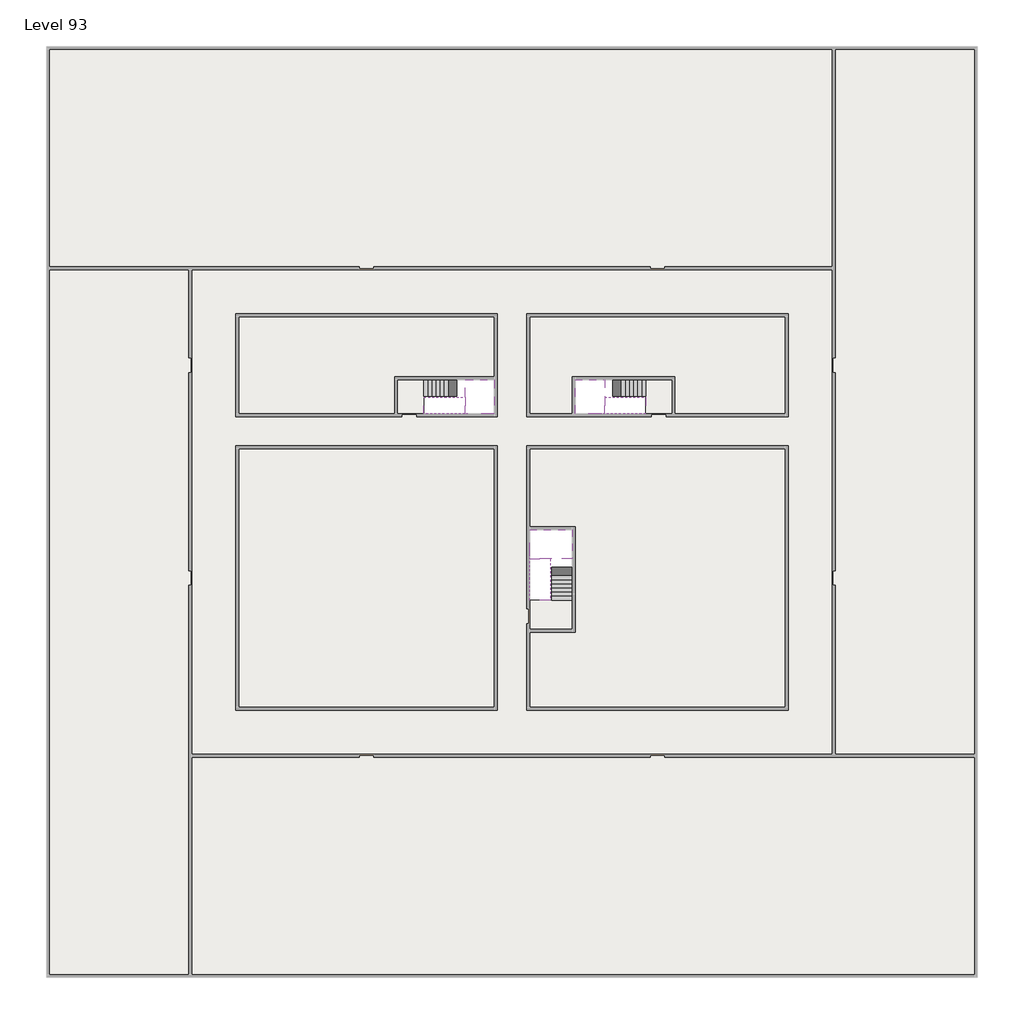
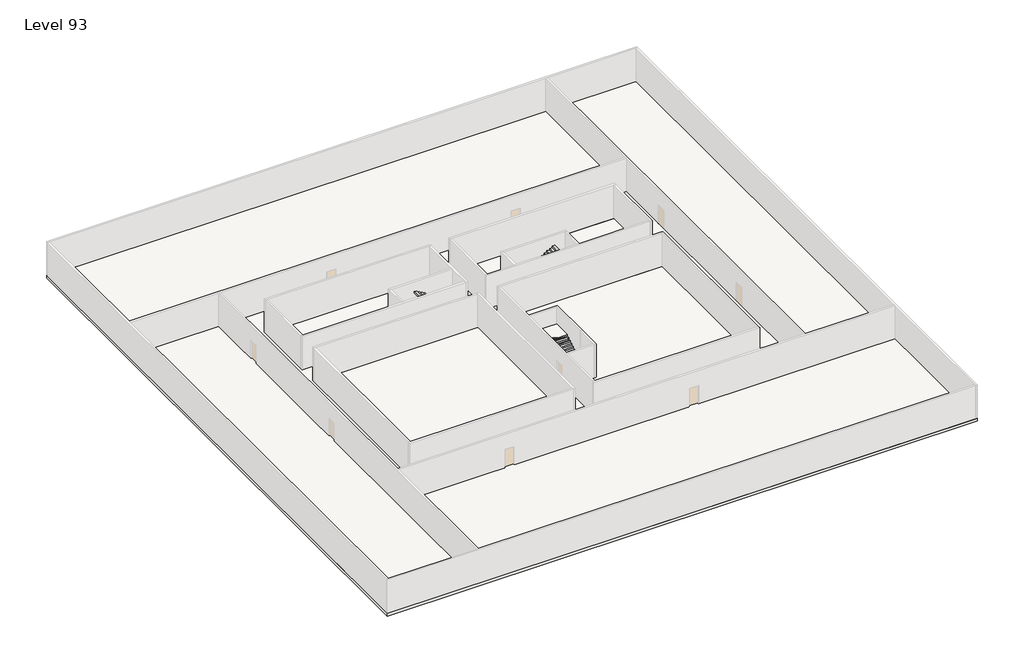
# One storey, part 2 of 2: 6 slabs, 6 stair flights.
"""IFC4 building model written with IfcOpenShell, lengths in millimetres."""

from ifc_helpers import new_model, si_unit, frame, origin, place, context, project, spatial, polyline, outline, extrude, faceted_brep, element, save

model = new_model("IFC4")

# Units and contexts
model_context = context("Model", 3, world=origin())
ifc_project = project(units=[si_unit("LENGTHUNIT", "METRE", prefix="MILLI")], contexts=[model_context])

# Site, building, storey
site = spatial("IfcSite", under=ifc_project)
building = spatial("IfcBuilding", under=site)
storey = spatial("IfcBuildingStorey", under=building, Name="Level 93", Elevation=349600.0)

# Slabs
placement = place(None, origin())
element("IfcSlab", 1, at=placement, inside=storey, context=model_context, shape_type="SweptSolid", body=[
    extrude(outline(polyline([(55890.1058784, -5518.09644), (55890.1058784, -68918.09644), (-7509.8941216, -68918.09644), (-7509.8941216, -5518.09644), (55890.1058784, -5518.09644)]), holes=[polyline([(22990.1058784, -23918.09644), (5590.1058784, -23918.09644), (5590.1058784, -30518.09644), (22990.1058784, -30518.09644), (22990.1058784, -23918.09644)]), polyline([(42990.1058784, -23918.09644), (25390.1058784, -23918.09644), (25390.1058784, -30518.09644), (42990.1058784, -30518.09644), (42990.1058784, -23918.09644)]), polyline([(25390.1058784, -50518.09644), (42790.1058784, -50518.09644), (42790.1058784, -32918.09644), (25390.1058784, -32918.09644), (25390.1058784, -50518.09644)]), polyline([(22990.1058784, -32918.09644), (5590.1058784, -32918.09644), (5590.1058784, -50518.09644), (22990.1058784, -50518.09644), (22990.1058784, -32918.09644)])]), frame((0.0, 0.0, 349300.0), z_axis=(0.0, 0.0, 1.0), x_axis=(1.0, 0.0, 0.0)), (0.0, 0.0, 1.0), 300.0),
])
element("IfcSlab", 2, at=placement, inside=storey, context=model_context, shape_type="SweptSolid", body=[
    extrude(outline(polyline([(22990.1058784, -23918.09644), (22990.1058784, -28018.09644), (16190.1058784, -28018.09644), (16190.1058784, -30518.09644), (5590.1058784, -30518.09644), (5590.1058784, -23918.09644), (22990.1058784, -23918.09644)])), frame((0.0, 0.0, 349300.0), z_axis=(0.0, 0.0, 1.0), x_axis=(1.0, 0.0, 0.0)), (0.0, 0.0, 1.0), 300.0),
    extrude(outline(polyline([(42790.1058784, -23918.09644), (42790.1058784, -30518.09644), (35290.1058784, -30518.09644), (35290.1058784, -28018.09644), (28490.1058784, -28018.09644), (28490.1058784, -30518.09644), (25390.1058784, -30518.09644), (25390.1058784, -23918.09644), (42790.1058784, -23918.09644)])), frame((0.0, 0.0, 349300.0), z_axis=(0.0, 0.0, 1.0), x_axis=(1.0, 0.0, 0.0)), (0.0, 0.0, 1.0), 300.0),
    extrude(outline(polyline([(22990.1058784, -32918.09644), (22990.1058784, -50518.09644), (5590.1058784, -50518.09644), (5590.1058784, -32918.09644), (22990.1058784, -32918.09644)])), frame((0.0, 0.0, 349300.0), z_axis=(0.0, 0.0, 1.0), x_axis=(1.0, 0.0, 0.0)), (0.0, 0.0, 1.0), 300.0),
    extrude(outline(polyline([(25390.1058784, -38218.09644), (25390.1058784, -32918.09644), (42790.1058784, -32918.09644), (42790.1058784, -50518.09644), (25390.1058784, -50518.09644), (25390.1058784, -45418.09644), (28490.1058784, -45418.09644), (28490.1058784, -38218.09644), (25390.1058784, -38218.09644)])), frame((0.0, 0.0, 349300.0), z_axis=(0.0, 0.0, 1.0), x_axis=(1.0, 0.0, 0.0)), (0.0, 0.0, 1.0), 300.0),
])
element("IfcSlab", 3, at=placement, inside=storey, context=model_context, shape_type="Brep", body=[
    faceted_brep([(26890.1058784, -40418.09644, 351500.0), (28290.1058784, -40418.09644, 351500.0), (28290.1058784, -40338.7100038, 351500.0), (28290.1058784, -38418.09644, 351500.0), (25390.1058784, -38418.09644, 351500.0), (25390.1058784, -40217.4828763, 351500.0), (25390.1058784, -40418.09644, 351500.0), (26790.1058784, -40418.09644, 351500.0), (26890.1058784, -40418.09644, 351200.0), (26890.1058784, -40418.09644, 351151.0278478), (28290.1058784, -40418.09644, 351151.0278478), (28290.1058784, -40418.09644, 351327.2727273), (28290.1058784, -40338.7100038, 351200.0), (28290.1058784, -38418.09644, 351200.0), (25390.1058784, -38418.09644, 351200.0), (25390.1058784, -40217.4828763, 351200.0), (25390.1058784, -40418.09644, 351323.7551205), (26790.1058784, -40418.09644, 351323.7551205), (26790.1058784, -40418.09644, 351200.0), (26790.1058784, -40217.4828763, 351200.0), (26890.1058784, -40338.7100038, 351200.0)], [[[0, 1, 2, 3, 4, 5, 6, 7]], [[1, 0, 8, 9, 10, 11]], [[1, 11, 10, 12, 13, 3, 2]], [[4, 3, 13, 14]], [[4, 14, 15, 16, 6, 5]], [[7, 6, 16, 17]], [[0, 7, 17, 18, 8]], [[18, 19, 15, 14, 13, 12, 20, 8]], [[19, 18, 17]], [[20, 12, 10, 9]], [[8, 20, 9]], [[15, 19, 17, 16]]]),
])
element("IfcSlab", 4, at=placement, inside=storey, context=model_context, shape_type="Brep", body=[
    faceted_brep([(20990.1058784, -28218.09644, 351500.0), (20990.1058784, -29318.09644, 351500.0), (20990.1058784, -29418.09644, 351500.0), (20990.1058784, -30518.09644, 351500.0), (21190.7194421, -30518.09644, 351500.0), (22990.1058784, -30518.09644, 351500.0), (22990.1058784, -28218.09644, 351500.0), (21069.4923146, -28218.09644, 351500.0), (20990.1058784, -28218.09644, 351327.2727273), (20990.1058784, -28218.09644, 351151.0278478), (20990.1058784, -29318.09644, 351151.0278478), (20990.1058784, -29318.09644, 351200.0), (20990.1058784, -29418.09644, 351200.0), (20990.1058784, -29418.09644, 351323.7551205), (20990.1058784, -30518.09644, 351323.7551205), (21190.7194421, -30518.09644, 351200.0), (22990.1058784, -30518.09644, 351200.0), (22990.1058784, -28218.09644, 351200.0), (21069.4923146, -28218.09644, 351200.0), (21190.7194421, -29418.09644, 351200.0), (21069.4923146, -29318.09644, 351200.0)], [[[0, 1, 2, 3, 4, 5, 6, 7]], [[1, 0, 8, 9, 10, 11]], [[2, 1, 11, 12, 13]], [[3, 2, 13, 14]], [[3, 14, 15, 16, 5, 4]], [[6, 5, 16, 17]], [[9, 8, 0, 7, 6, 17, 18]], [[19, 12, 11, 20, 18, 17, 16, 15]], [[12, 19, 13]], [[18, 20, 10, 9]], [[20, 11, 10]], [[19, 15, 14, 13]]]),
])
element("IfcSlab", 5, at=placement, inside=storey, context=model_context, shape_type="Brep", body=[
    faceted_brep([(30490.1058784, -29318.09644, 351500.0), (30490.1058784, -28218.09644, 351500.0), (30410.7194421, -28218.09644, 351500.0), (28490.1058784, -28218.09644, 351500.0), (28490.1058784, -30518.09644, 351500.0), (30289.4923146, -30518.09644, 351500.0), (30490.1058784, -30518.09644, 351500.0), (30490.1058784, -29418.09644, 351500.0), (30490.1058784, -29318.09644, 351200.0), (30490.1058784, -29318.09644, 351151.0278478), (30490.1058784, -28218.09644, 351151.0278478), (30490.1058784, -28218.09644, 351327.2727273), (30490.1058784, -29418.09644, 351323.7551205), (30490.1058784, -29418.09644, 351200.0), (30490.1058784, -30518.09644, 351323.7551205), (28490.1058784, -30518.09644, 351200.0), (30289.4923146, -30518.09644, 351200.0), (28490.1058784, -28218.09644, 351200.0), (30410.7194421, -28218.09644, 351200.0), (30289.4923146, -29418.09644, 351200.0), (30410.7194421, -29318.09644, 351200.0)], [[[0, 1, 2, 3, 4, 5, 6, 7]], [[1, 0, 8, 9, 10, 11]], [[0, 7, 12, 13, 8]], [[7, 6, 14, 12]], [[4, 15, 16, 14, 6, 5]], [[4, 3, 17, 15]], [[1, 11, 10, 18, 17, 3, 2]], [[13, 19, 16, 15, 17, 18, 20, 8]], [[20, 18, 10, 9]], [[8, 20, 9]], [[16, 19, 12, 14]], [[19, 13, 12]]]),
])
element("IfcSlab", 6, at=placement, inside=storey, context=model_context, shape_type="SweptSolid", body=[
    extrude(outline(polyline([(35090.1058784, -28218.09644), (35090.1058784, -30518.09644), (33290.1058784, -30518.09644), (33290.1058784, -28218.09644), (35090.1058784, -28218.09644)])), frame((0.0, 0.0, 349300.0), z_axis=(0.0, 0.0, 1.0), x_axis=(1.0, 0.0, 0.0)), (0.0, 0.0, 1.0), 300.0),
    extrude(outline(polyline([(18190.1058784, -28218.09644), (18190.1058784, -30518.09644), (16390.1058784, -30518.09644), (16390.1058784, -28218.09644), (18190.1058784, -28218.09644)])), frame((0.0, 0.0, 349300.0), z_axis=(0.0, 0.0, 1.0), x_axis=(1.0, 0.0, 0.0)), (0.0, 0.0, 1.0), 300.0),
    extrude(outline(polyline([(28290.1058784, -43218.09644), (28290.1058784, -45218.09644), (25390.1058784, -45218.09644), (25390.1058784, -43218.09644), (28290.1058784, -43218.09644)])), frame((0.0, 0.0, 349300.0), z_axis=(0.0, 0.0, 1.0), x_axis=(1.0, 0.0, 0.0)), (0.0, 0.0, 1.0), 300.0),
])

# Stair flights
element("IfcStairFlight", 7, at=placement, inside=storey, context=model_context, shape_type="Brep", body=[
    faceted_brep([(26890.1058784, -42938.09644, 349772.7272727), (26890.1058784, -43218.09644, 349772.7272727), (28290.1058784, -43218.09644, 349772.7272727), (28290.1058784, -42938.09644, 349772.7272727), (26890.1058784, -42938.09644, 349600.0), (26890.1058784, -43218.09644, 349600.0), (28290.1058784, -43218.09644, 349600.0), (28290.1058784, -42938.09644, 349600.0), (26890.1058784, -42658.09644, 349945.4545455), (26890.1058784, -42938.09644, 349945.4545455), (28290.1058784, -42938.09644, 349945.4545455), (28290.1058784, -42658.09644, 349945.4545455), (26890.1058784, -42658.09644, 349769.209666), (26890.1058784, -42932.3942143, 349600.0), (28290.1058784, -42932.3942143, 349600.0), (28290.1058784, -42658.09644, 349769.209666), (26890.1058784, -42378.09644, 350118.1818182), (26890.1058784, -42658.09644, 350118.1818182), (28290.1058784, -42658.09644, 350118.1818182), (28290.1058784, -42378.09644, 350118.1818182), (26890.1058784, -42378.09644, 349941.9369387), (28290.1058784, -42378.09644, 349941.9369387), (26890.1058784, -42098.09644, 350290.9090909), (26890.1058784, -42378.09644, 350290.9090909), (28290.1058784, -42378.09644, 350290.9090909), (28290.1058784, -42098.09644, 350290.9090909), (26890.1058784, -42098.09644, 350114.6642114), (28290.1058784, -42098.09644, 350114.6642114), (26890.1058784, -41818.09644, 350463.6363636), (26890.1058784, -42098.09644, 350463.6363636), (28290.1058784, -42098.09644, 350463.6363636), (28290.1058784, -41818.09644, 350463.6363636), (26890.1058784, -41818.09644, 350287.3914841), (28290.1058784, -41818.09644, 350287.3914841), (26890.1058784, -41538.09644, 350636.3636364), (26890.1058784, -41818.09644, 350636.3636364), (28290.1058784, -41818.09644, 350636.3636364), (28290.1058784, -41538.09644, 350636.3636364), (26890.1058784, -41538.09644, 350460.1187569), (28290.1058784, -41538.09644, 350460.1187569), (26890.1058784, -41258.09644, 350809.0909091), (26890.1058784, -41538.09644, 350809.0909091), (28290.1058784, -41538.09644, 350809.0909091), (28290.1058784, -41258.09644, 350809.0909091), (26890.1058784, -41258.09644, 350632.8460296), (28290.1058784, -41258.09644, 350632.8460296), (26890.1058784, -40978.09644, 350981.8181818), (26890.1058784, -41258.09644, 350981.8181818), (28290.1058784, -41258.09644, 350981.8181818), (28290.1058784, -40978.09644, 350981.8181818), (26890.1058784, -40978.09644, 350805.5733023), (28290.1058784, -40978.09644, 350805.5733023), (26890.1058784, -40698.09644, 351154.5454545), (26890.1058784, -40978.09644, 351154.5454545), (28290.1058784, -40978.09644, 351154.5454545), (28290.1058784, -40698.09644, 351154.5454545), (26890.1058784, -40698.09644, 350978.3005751), (28290.1058784, -40698.09644, 350978.3005751), (26890.1058784, -40418.09644, 351327.2727273), (26890.1058784, -40698.09644, 351327.2727273), (28290.1058784, -40698.09644, 351327.2727273), (28290.1058784, -40418.09644, 351327.2727273), (26890.1058784, -40418.09644, 351200.0), (26890.1058784, -40418.09644, 351151.0278478), (28290.1058784, -40418.09644, 351151.0278478)], [[[0, 1, 2, 3]], [[1, 0, 4, 5]], [[2, 1, 5, 6]], [[3, 2, 6, 7]], [[8, 9, 10, 11]], [[4, 0, 9, 8, 12, 13]], [[0, 3, 10, 9]], [[3, 7, 14, 15, 11, 10]], [[16, 17, 18, 19]], [[17, 16, 20, 12, 8]], [[8, 11, 18, 17]], [[19, 18, 11, 15, 21]], [[22, 23, 24, 25]], [[23, 22, 26, 20, 16]], [[16, 19, 24, 23]], [[25, 24, 19, 21, 27]], [[28, 29, 30, 31]], [[29, 28, 32, 26, 22]], [[22, 25, 30, 29]], [[31, 30, 25, 27, 33]], [[34, 35, 36, 37]], [[35, 34, 38, 32, 28]], [[28, 31, 36, 35]], [[37, 36, 31, 33, 39]], [[40, 41, 42, 43]], [[41, 40, 44, 38, 34]], [[34, 37, 42, 41]], [[43, 42, 37, 39, 45]], [[46, 47, 48, 49]], [[47, 46, 50, 44, 40]], [[40, 43, 48, 47]], [[49, 48, 43, 45, 51]], [[52, 53, 54, 55]], [[53, 52, 56, 50, 46]], [[46, 49, 54, 53]], [[55, 54, 49, 51, 57]], [[58, 59, 60, 61]], [[59, 58, 62, 63, 56, 52]], [[52, 55, 60, 59]], [[61, 60, 55, 57, 64]], [[58, 61, 64, 63, 62]], [[5, 4, 13, 14, 7, 6]], [[14, 13, 12, 20, 26, 32, 38, 44, 50, 56, 63, 64, 57, 51, 45, 39, 33, 27, 21, 15]]]),
])
element("IfcStairFlight", 8, at=placement, inside=storey, context=model_context, shape_type="Brep", body=[
    faceted_brep([(26790.1058784, -40698.09644, 351672.7272727), (26790.1058784, -40418.09644, 351672.7272727), (25390.1058784, -40418.09644, 351672.7272727), (25390.1058784, -40698.09644, 351672.7272727), (26790.1058784, -40698.09644, 351496.4823932), (26790.1058784, -40418.09644, 351323.7551205), (25390.1058784, -40418.09644, 351323.7551205), (25390.1058784, -40418.09644, 351500.0), (25390.1058784, -40698.09644, 351496.4823932), (26790.1058784, -40978.09644, 351845.4545455), (26790.1058784, -40698.09644, 351845.4545455), (25390.1058784, -40698.09644, 351845.4545455), (25390.1058784, -40978.09644, 351845.4545455), (26790.1058784, -40978.09644, 351669.209666), (25390.1058784, -40978.09644, 351669.209666), (26790.1058784, -41258.09644, 352018.1818182), (26790.1058784, -40978.09644, 352018.1818182), (25390.1058784, -40978.09644, 352018.1818182), (25390.1058784, -41258.09644, 352018.1818182), (26790.1058784, -41258.09644, 351841.9369387), (25390.1058784, -41258.09644, 351841.9369387), (26790.1058784, -41538.09644, 352190.9090909), (26790.1058784, -41258.09644, 352190.9090909), (25390.1058784, -41258.09644, 352190.9090909), (25390.1058784, -41538.09644, 352190.9090909), (26790.1058784, -41538.09644, 352014.6642114), (25390.1058784, -41538.09644, 352014.6642114), (26790.1058784, -41818.09644, 352363.6363636), (26790.1058784, -41538.09644, 352363.6363636), (25390.1058784, -41538.09644, 352363.6363636), (25390.1058784, -41818.09644, 352363.6363636), (26790.1058784, -41818.09644, 352187.3914841), (25390.1058784, -41818.09644, 352187.3914841), (26790.1058784, -42098.09644, 352536.3636364), (26790.1058784, -41818.09644, 352536.3636364), (25390.1058784, -41818.09644, 352536.3636364), (25390.1058784, -42098.09644, 352536.3636364), (26790.1058784, -42098.09644, 352360.1187569), (25390.1058784, -42098.09644, 352360.1187569), (26790.1058784, -42378.09644, 352709.0909091), (26790.1058784, -42098.09644, 352709.0909091), (25390.1058784, -42098.09644, 352709.0909091), (25390.1058784, -42378.09644, 352709.0909091), (26790.1058784, -42378.09644, 352532.8460296), (25390.1058784, -42378.09644, 352532.8460296), (26790.1058784, -42658.09644, 352881.8181818), (26790.1058784, -42378.09644, 352881.8181818), (25390.1058784, -42378.09644, 352881.8181818), (25390.1058784, -42658.09644, 352881.8181818), (26790.1058784, -42658.09644, 352705.5733023), (25390.1058784, -42658.09644, 352705.5733023), (26790.1058784, -42938.09644, 353054.5454545), (26790.1058784, -42658.09644, 353054.5454545), (25390.1058784, -42658.09644, 353054.5454545), (25390.1058784, -42938.09644, 353054.5454545), (26790.1058784, -42938.09644, 352878.3005751), (25390.1058784, -42938.09644, 352878.3005751), (26790.1058784, -43218.09644, 353227.2727273), (26790.1058784, -42938.09644, 353227.2727273), (25390.1058784, -42938.09644, 353227.2727273), (25390.1058784, -43218.09644, 353227.2727273), (26790.1058784, -43218.09644, 353051.0278478), (25390.1058784, -43218.09644, 353051.0278478)], [[[0, 1, 2, 3]], [[1, 0, 4, 5]], [[2, 1, 5, 6, 7]], [[3, 2, 7, 6, 8]], [[9, 10, 11, 12]], [[10, 9, 13, 4, 0]], [[11, 10, 0, 3]], [[12, 11, 3, 8, 14]], [[15, 16, 17, 18]], [[16, 15, 19, 13, 9]], [[17, 16, 9, 12]], [[18, 17, 12, 14, 20]], [[21, 22, 23, 24]], [[22, 21, 25, 19, 15]], [[23, 22, 15, 18]], [[24, 23, 18, 20, 26]], [[27, 28, 29, 30]], [[28, 27, 31, 25, 21]], [[29, 28, 21, 24]], [[30, 29, 24, 26, 32]], [[33, 34, 35, 36]], [[34, 33, 37, 31, 27]], [[35, 34, 27, 30]], [[36, 35, 30, 32, 38]], [[39, 40, 41, 42]], [[40, 39, 43, 37, 33]], [[41, 40, 33, 36]], [[42, 41, 36, 38, 44]], [[45, 46, 47, 48]], [[46, 45, 49, 43, 39]], [[47, 46, 39, 42]], [[48, 47, 42, 44, 50]], [[51, 52, 53, 54]], [[52, 51, 55, 49, 45]], [[53, 52, 45, 48]], [[54, 53, 48, 50, 56]], [[57, 58, 59, 60]], [[58, 57, 61, 55, 51]], [[59, 58, 51, 54]], [[60, 59, 54, 56, 62]], [[57, 60, 62, 61]], [[5, 4, 13, 19, 25, 31, 37, 43, 49, 55, 61, 62, 56, 50, 44, 38, 32, 26, 20, 14, 8, 6]]]),
])
element("IfcStairFlight", 9, at=placement, inside=storey, context=model_context, shape_type="Brep", body=[
    faceted_brep([(18470.1058784, -28218.09644, 349772.7272727), (18190.1058784, -28218.09644, 349772.7272727), (18190.1058784, -29318.09644, 349772.7272727), (18470.1058784, -29318.09644, 349772.7272727), (18470.1058784, -28218.09644, 349600.0), (18190.1058784, -28218.09644, 349600.0), (18190.1058784, -29318.09644, 349600.0), (18470.1058784, -29318.09644, 349600.0), (18750.1058784, -28218.09644, 349945.4545455), (18470.1058784, -28218.09644, 349945.4545455), (18470.1058784, -29318.09644, 349945.4545455), (18750.1058784, -29318.09644, 349945.4545455), (18750.1058784, -28218.09644, 349769.209666), (18475.8081041, -28218.09644, 349600.0), (18475.8081041, -29318.09644, 349600.0), (18750.1058784, -29318.09644, 349769.209666), (19030.1058784, -28218.09644, 350118.1818182), (18750.1058784, -28218.09644, 350118.1818182), (18750.1058784, -29318.09644, 350118.1818182), (19030.1058784, -29318.09644, 350118.1818182), (19030.1058784, -28218.09644, 349941.9369387), (19030.1058784, -29318.09644, 349941.9369387), (19310.1058784, -28218.09644, 350290.9090909), (19030.1058784, -28218.09644, 350290.9090909), (19030.1058784, -29318.09644, 350290.9090909), (19310.1058784, -29318.09644, 350290.9090909), (19310.1058784, -28218.09644, 350114.6642114), (19310.1058784, -29318.09644, 350114.6642114), (19590.1058784, -28218.09644, 350463.6363636), (19310.1058784, -28218.09644, 350463.6363636), (19310.1058784, -29318.09644, 350463.6363636), (19590.1058784, -29318.09644, 350463.6363636), (19590.1058784, -28218.09644, 350287.3914841), (19590.1058784, -29318.09644, 350287.3914841), (19870.1058784, -28218.09644, 350636.3636364), (19590.1058784, -28218.09644, 350636.3636364), (19590.1058784, -29318.09644, 350636.3636364), (19870.1058784, -29318.09644, 350636.3636364), (19870.1058784, -28218.09644, 350460.1187569), (19870.1058784, -29318.09644, 350460.1187569), (20150.1058784, -28218.09644, 350809.0909091), (19870.1058784, -28218.09644, 350809.0909091), (19870.1058784, -29318.09644, 350809.0909091), (20150.1058784, -29318.09644, 350809.0909091), (20150.1058784, -28218.09644, 350632.8460296), (20150.1058784, -29318.09644, 350632.8460296), (20430.1058784, -28218.09644, 350981.8181818), (20150.1058784, -28218.09644, 350981.8181818), (20150.1058784, -29318.09644, 350981.8181818), (20430.1058784, -29318.09644, 350981.8181818), (20430.1058784, -28218.09644, 350805.5733023), (20430.1058784, -29318.09644, 350805.5733023), (20710.1058784, -28218.09644, 351154.5454545), (20430.1058784, -28218.09644, 351154.5454545), (20430.1058784, -29318.09644, 351154.5454545), (20710.1058784, -29318.09644, 351154.5454545), (20710.1058784, -28218.09644, 350978.3005751), (20710.1058784, -29318.09644, 350978.3005751), (20990.1058784, -28218.09644, 351327.2727273), (20710.1058784, -28218.09644, 351327.2727273), (20710.1058784, -29318.09644, 351327.2727273), (20990.1058784, -29318.09644, 351327.2727273), (20990.1058784, -28218.09644, 351151.0278478), (20990.1058784, -29318.09644, 351151.0278478), (20990.1058784, -29318.09644, 351200.0)], [[[0, 1, 2, 3]], [[1, 0, 4, 5]], [[2, 1, 5, 6]], [[3, 2, 6, 7]], [[8, 9, 10, 11]], [[4, 0, 9, 8, 12, 13]], [[0, 3, 10, 9]], [[3, 7, 14, 15, 11, 10]], [[16, 17, 18, 19]], [[17, 16, 20, 12, 8]], [[8, 11, 18, 17]], [[19, 18, 11, 15, 21]], [[22, 23, 24, 25]], [[23, 22, 26, 20, 16]], [[16, 19, 24, 23]], [[25, 24, 19, 21, 27]], [[28, 29, 30, 31]], [[29, 28, 32, 26, 22]], [[22, 25, 30, 29]], [[31, 30, 25, 27, 33]], [[34, 35, 36, 37]], [[35, 34, 38, 32, 28]], [[28, 31, 36, 35]], [[37, 36, 31, 33, 39]], [[40, 41, 42, 43]], [[41, 40, 44, 38, 34]], [[34, 37, 42, 41]], [[43, 42, 37, 39, 45]], [[46, 47, 48, 49]], [[47, 46, 50, 44, 40]], [[40, 43, 48, 47]], [[49, 48, 43, 45, 51]], [[52, 53, 54, 55]], [[53, 52, 56, 50, 46]], [[46, 49, 54, 53]], [[55, 54, 49, 51, 57]], [[58, 59, 60, 61]], [[59, 58, 62, 56, 52]], [[52, 55, 60, 59]], [[61, 60, 55, 57, 63, 64]], [[58, 61, 64, 63, 62]], [[5, 4, 13, 14, 7, 6]], [[14, 13, 12, 20, 26, 32, 38, 44, 50, 56, 62, 63, 57, 51, 45, 39, 33, 27, 21, 15]]]),
])
element("IfcStairFlight", 10, at=placement, inside=storey, context=model_context, shape_type="Brep", body=[
    faceted_brep([(20710.1058784, -30518.09644, 351672.7272727), (20990.1058784, -30518.09644, 351672.7272727), (20990.1058784, -29418.09644, 351672.7272727), (20710.1058784, -29418.09644, 351672.7272727), (20710.1058784, -30518.09644, 351496.4823932), (20990.1058784, -30518.09644, 351323.7551205), (20990.1058784, -30518.09644, 351500.0), (20990.1058784, -29418.09644, 351323.7551205), (20710.1058784, -29418.09644, 351496.4823932), (20430.1058784, -30518.09644, 351845.4545455), (20710.1058784, -30518.09644, 351845.4545455), (20710.1058784, -29418.09644, 351845.4545455), (20430.1058784, -29418.09644, 351845.4545455), (20430.1058784, -30518.09644, 351669.209666), (20430.1058784, -29418.09644, 351669.209666), (20150.1058784, -30518.09644, 352018.1818182), (20430.1058784, -30518.09644, 352018.1818182), (20430.1058784, -29418.09644, 352018.1818182), (20150.1058784, -29418.09644, 352018.1818182), (20150.1058784, -30518.09644, 351841.9369387), (20150.1058784, -29418.09644, 351841.9369387), (19870.1058784, -30518.09644, 352190.9090909), (20150.1058784, -30518.09644, 352190.9090909), (20150.1058784, -29418.09644, 352190.9090909), (19870.1058784, -29418.09644, 352190.9090909), (19870.1058784, -30518.09644, 352014.6642114), (19870.1058784, -29418.09644, 352014.6642114), (19590.1058784, -30518.09644, 352363.6363636), (19870.1058784, -30518.09644, 352363.6363636), (19870.1058784, -29418.09644, 352363.6363636), (19590.1058784, -29418.09644, 352363.6363636), (19590.1058784, -30518.09644, 352187.3914841), (19590.1058784, -29418.09644, 352187.3914841), (19310.1058784, -30518.09644, 352536.3636364), (19590.1058784, -30518.09644, 352536.3636364), (19590.1058784, -29418.09644, 352536.3636364), (19310.1058784, -29418.09644, 352536.3636364), (19310.1058784, -30518.09644, 352360.1187569), (19310.1058784, -29418.09644, 352360.1187569), (19030.1058784, -30518.09644, 352709.0909091), (19310.1058784, -30518.09644, 352709.0909091), (19310.1058784, -29418.09644, 352709.0909091), (19030.1058784, -29418.09644, 352709.0909091), (19030.1058784, -30518.09644, 352532.8460296), (19030.1058784, -29418.09644, 352532.8460296), (18750.1058784, -30518.09644, 352881.8181818), (19030.1058784, -30518.09644, 352881.8181818), (19030.1058784, -29418.09644, 352881.8181818), (18750.1058784, -29418.09644, 352881.8181818), (18750.1058784, -30518.09644, 352705.5733023), (18750.1058784, -29418.09644, 352705.5733023), (18470.1058784, -30518.09644, 353054.5454545), (18750.1058784, -30518.09644, 353054.5454545), (18750.1058784, -29418.09644, 353054.5454545), (18470.1058784, -29418.09644, 353054.5454545), (18470.1058784, -30518.09644, 352878.3005751), (18470.1058784, -29418.09644, 352878.3005751), (18190.1058784, -30518.09644, 353227.2727273), (18470.1058784, -30518.09644, 353227.2727273), (18470.1058784, -29418.09644, 353227.2727273), (18190.1058784, -29418.09644, 353227.2727273), (18190.1058784, -30518.09644, 353051.0278478), (18190.1058784, -29418.09644, 353051.0278478)], [[[0, 1, 2, 3]], [[1, 0, 4, 5, 6]], [[2, 1, 6, 5, 7]], [[3, 2, 7, 8]], [[9, 10, 11, 12]], [[10, 9, 13, 4, 0]], [[11, 10, 0, 3]], [[12, 11, 3, 8, 14]], [[15, 16, 17, 18]], [[16, 15, 19, 13, 9]], [[17, 16, 9, 12]], [[18, 17, 12, 14, 20]], [[21, 22, 23, 24]], [[22, 21, 25, 19, 15]], [[23, 22, 15, 18]], [[24, 23, 18, 20, 26]], [[27, 28, 29, 30]], [[28, 27, 31, 25, 21]], [[29, 28, 21, 24]], [[30, 29, 24, 26, 32]], [[33, 34, 35, 36]], [[34, 33, 37, 31, 27]], [[35, 34, 27, 30]], [[36, 35, 30, 32, 38]], [[39, 40, 41, 42]], [[40, 39, 43, 37, 33]], [[41, 40, 33, 36]], [[42, 41, 36, 38, 44]], [[45, 46, 47, 48]], [[46, 45, 49, 43, 39]], [[47, 46, 39, 42]], [[48, 47, 42, 44, 50]], [[51, 52, 53, 54]], [[52, 51, 55, 49, 45]], [[53, 52, 45, 48]], [[54, 53, 48, 50, 56]], [[57, 58, 59, 60]], [[58, 57, 61, 55, 51]], [[59, 58, 51, 54]], [[60, 59, 54, 56, 62]], [[57, 60, 62, 61]], [[5, 4, 13, 19, 25, 31, 37, 43, 49, 55, 61, 62, 56, 50, 44, 38, 32, 26, 20, 14, 8, 7]]]),
])
element("IfcStairFlight", 11, at=placement, inside=storey, context=model_context, shape_type="Brep", body=[
    faceted_brep([(33010.1058784, -29318.09644, 349772.7272727), (33290.1058784, -29318.09644, 349772.7272727), (33290.1058784, -28218.09644, 349772.7272727), (33010.1058784, -28218.09644, 349772.7272727), (33290.1058784, -28218.09644, 349600.0), (33010.1058784, -28218.09644, 349600.0), (33290.1058784, -29318.09644, 349600.0), (33010.1058784, -29318.09644, 349600.0), (32730.1058784, -29318.09644, 349945.4545455), (33010.1058784, -29318.09644, 349945.4545455), (33010.1058784, -28218.09644, 349945.4545455), (32730.1058784, -28218.09644, 349945.4545455), (33004.4036527, -28218.09644, 349600.0), (32730.1058784, -28218.09644, 349769.209666), (32730.1058784, -29318.09644, 349769.209666), (33004.4036527, -29318.09644, 349600.0), (32450.1058784, -29318.09644, 350118.1818182), (32730.1058784, -29318.09644, 350118.1818182), (32730.1058784, -28218.09644, 350118.1818182), (32450.1058784, -28218.09644, 350118.1818182), (32450.1058784, -28218.09644, 349941.9369387), (32450.1058784, -29318.09644, 349941.9369387), (32170.1058784, -29318.09644, 350290.9090909), (32450.1058784, -29318.09644, 350290.9090909), (32450.1058784, -28218.09644, 350290.9090909), (32170.1058784, -28218.09644, 350290.9090909), (32170.1058784, -28218.09644, 350114.6642114), (32170.1058784, -29318.09644, 350114.6642114), (31890.1058784, -29318.09644, 350463.6363636), (32170.1058784, -29318.09644, 350463.6363636), (32170.1058784, -28218.09644, 350463.6363636), (31890.1058784, -28218.09644, 350463.6363636), (31890.1058784, -28218.09644, 350287.3914841), (31890.1058784, -29318.09644, 350287.3914841), (31610.1058784, -29318.09644, 350636.3636364), (31890.1058784, -29318.09644, 350636.3636364), (31890.1058784, -28218.09644, 350636.3636364), (31610.1058784, -28218.09644, 350636.3636364), (31610.1058784, -28218.09644, 350460.1187569), (31610.1058784, -29318.09644, 350460.1187569), (31330.1058784, -29318.09644, 350809.0909091), (31610.1058784, -29318.09644, 350809.0909091), (31610.1058784, -28218.09644, 350809.0909091), (31330.1058784, -28218.09644, 350809.0909091), (31330.1058784, -28218.09644, 350632.8460296), (31330.1058784, -29318.09644, 350632.8460296), (31050.1058784, -29318.09644, 350981.8181818), (31330.1058784, -29318.09644, 350981.8181818), (31330.1058784, -28218.09644, 350981.8181818), (31050.1058784, -28218.09644, 350981.8181818), (31050.1058784, -28218.09644, 350805.5733023), (31050.1058784, -29318.09644, 350805.5733023), (30770.1058784, -29318.09644, 351154.5454545), (31050.1058784, -29318.09644, 351154.5454545), (31050.1058784, -28218.09644, 351154.5454545), (30770.1058784, -28218.09644, 351154.5454545), (30770.1058784, -28218.09644, 350978.3005751), (30770.1058784, -29318.09644, 350978.3005751), (30490.1058784, -29318.09644, 351327.2727273), (30770.1058784, -29318.09644, 351327.2727273), (30770.1058784, -28218.09644, 351327.2727273), (30490.1058784, -28218.09644, 351327.2727273), (30490.1058784, -28218.09644, 351151.0278478), (30490.1058784, -29318.09644, 351200.0), (30490.1058784, -29318.09644, 351151.0278478)], [[[0, 1, 2, 3]], [[3, 2, 4, 5]], [[2, 1, 6, 4]], [[1, 0, 7, 6]], [[8, 9, 10, 11]], [[3, 5, 12, 13, 11, 10]], [[0, 3, 10, 9]], [[7, 0, 9, 8, 14, 15]], [[16, 17, 18, 19]], [[19, 18, 11, 13, 20]], [[8, 11, 18, 17]], [[17, 16, 21, 14, 8]], [[22, 23, 24, 25]], [[25, 24, 19, 20, 26]], [[16, 19, 24, 23]], [[23, 22, 27, 21, 16]], [[28, 29, 30, 31]], [[31, 30, 25, 26, 32]], [[22, 25, 30, 29]], [[29, 28, 33, 27, 22]], [[34, 35, 36, 37]], [[37, 36, 31, 32, 38]], [[28, 31, 36, 35]], [[35, 34, 39, 33, 28]], [[40, 41, 42, 43]], [[43, 42, 37, 38, 44]], [[34, 37, 42, 41]], [[41, 40, 45, 39, 34]], [[46, 47, 48, 49]], [[49, 48, 43, 44, 50]], [[40, 43, 48, 47]], [[47, 46, 51, 45, 40]], [[52, 53, 54, 55]], [[55, 54, 49, 50, 56]], [[46, 49, 54, 53]], [[53, 52, 57, 51, 46]], [[58, 59, 60, 61]], [[61, 60, 55, 56, 62]], [[52, 55, 60, 59]], [[59, 58, 63, 64, 57, 52]], [[58, 61, 62, 64, 63]], [[6, 7, 15, 12, 5, 4]], [[12, 15, 14, 21, 27, 33, 39, 45, 51, 57, 64, 62, 56, 50, 44, 38, 32, 26, 20, 13]]]),
])
element("IfcStairFlight", 12, at=placement, inside=storey, context=model_context, shape_type="Brep", body=[
    faceted_brep([(30770.1058784, -29418.09644, 351672.7272727), (30490.1058784, -29418.09644, 351672.7272727), (30490.1058784, -30518.09644, 351672.7272727), (30770.1058784, -30518.09644, 351672.7272727), (30490.1058784, -30518.09644, 351500.0), (30490.1058784, -30518.09644, 351323.7551205), (30770.1058784, -30518.09644, 351496.4823932), (30490.1058784, -29418.09644, 351323.7551205), (30770.1058784, -29418.09644, 351496.4823932), (31050.1058784, -29418.09644, 351845.4545455), (30770.1058784, -29418.09644, 351845.4545455), (30770.1058784, -30518.09644, 351845.4545455), (31050.1058784, -30518.09644, 351845.4545455), (31050.1058784, -30518.09644, 351669.209666), (31050.1058784, -29418.09644, 351669.209666), (31330.1058784, -29418.09644, 352018.1818182), (31050.1058784, -29418.09644, 352018.1818182), (31050.1058784, -30518.09644, 352018.1818182), (31330.1058784, -30518.09644, 352018.1818182), (31330.1058784, -30518.09644, 351841.9369387), (31330.1058784, -29418.09644, 351841.9369387), (31610.1058784, -29418.09644, 352190.9090909), (31330.1058784, -29418.09644, 352190.9090909), (31330.1058784, -30518.09644, 352190.9090909), (31610.1058784, -30518.09644, 352190.9090909), (31610.1058784, -30518.09644, 352014.6642114), (31610.1058784, -29418.09644, 352014.6642114), (31890.1058784, -29418.09644, 352363.6363636), (31610.1058784, -29418.09644, 352363.6363636), (31610.1058784, -30518.09644, 352363.6363636), (31890.1058784, -30518.09644, 352363.6363636), (31890.1058784, -30518.09644, 352187.3914841), (31890.1058784, -29418.09644, 352187.3914841), (32170.1058784, -29418.09644, 352536.3636364), (31890.1058784, -29418.09644, 352536.3636364), (31890.1058784, -30518.09644, 352536.3636364), (32170.1058784, -30518.09644, 352536.3636364), (32170.1058784, -30518.09644, 352360.1187569), (32170.1058784, -29418.09644, 352360.1187569), (32450.1058784, -29418.09644, 352709.0909091), (32170.1058784, -29418.09644, 352709.0909091), (32170.1058784, -30518.09644, 352709.0909091), (32450.1058784, -30518.09644, 352709.0909091), (32450.1058784, -30518.09644, 352532.8460296), (32450.1058784, -29418.09644, 352532.8460296), (32730.1058784, -29418.09644, 352881.8181818), (32450.1058784, -29418.09644, 352881.8181818), (32450.1058784, -30518.09644, 352881.8181818), (32730.1058784, -30518.09644, 352881.8181818), (32730.1058784, -30518.09644, 352705.5733023), (32730.1058784, -29418.09644, 352705.5733023), (33010.1058784, -29418.09644, 353054.5454545), (32730.1058784, -29418.09644, 353054.5454545), (32730.1058784, -30518.09644, 353054.5454545), (33010.1058784, -30518.09644, 353054.5454545), (33010.1058784, -30518.09644, 352878.3005751), (33010.1058784, -29418.09644, 352878.3005751), (33290.1058784, -29418.09644, 353227.2727273), (33010.1058784, -29418.09644, 353227.2727273), (33010.1058784, -30518.09644, 353227.2727273), (33290.1058784, -30518.09644, 353227.2727273), (33290.1058784, -30518.09644, 353051.0278478), (33290.1058784, -29418.09644, 353051.0278478)], [[[0, 1, 2, 3]], [[3, 2, 4, 5, 6]], [[2, 1, 7, 5, 4]], [[1, 0, 8, 7]], [[9, 10, 11, 12]], [[12, 11, 3, 6, 13]], [[11, 10, 0, 3]], [[10, 9, 14, 8, 0]], [[15, 16, 17, 18]], [[18, 17, 12, 13, 19]], [[17, 16, 9, 12]], [[16, 15, 20, 14, 9]], [[21, 22, 23, 24]], [[24, 23, 18, 19, 25]], [[23, 22, 15, 18]], [[22, 21, 26, 20, 15]], [[27, 28, 29, 30]], [[30, 29, 24, 25, 31]], [[29, 28, 21, 24]], [[28, 27, 32, 26, 21]], [[33, 34, 35, 36]], [[36, 35, 30, 31, 37]], [[35, 34, 27, 30]], [[34, 33, 38, 32, 27]], [[39, 40, 41, 42]], [[42, 41, 36, 37, 43]], [[41, 40, 33, 36]], [[40, 39, 44, 38, 33]], [[45, 46, 47, 48]], [[48, 47, 42, 43, 49]], [[47, 46, 39, 42]], [[46, 45, 50, 44, 39]], [[51, 52, 53, 54]], [[54, 53, 48, 49, 55]], [[53, 52, 45, 48]], [[52, 51, 56, 50, 45]], [[57, 58, 59, 60]], [[60, 59, 54, 55, 61]], [[59, 58, 51, 54]], [[58, 57, 62, 56, 51]], [[57, 60, 61, 62]], [[7, 8, 14, 20, 26, 32, 38, 44, 50, 56, 62, 61, 55, 49, 43, 37, 31, 25, 19, 13, 6, 5]]]),
])

save(model, "model.ifc")
